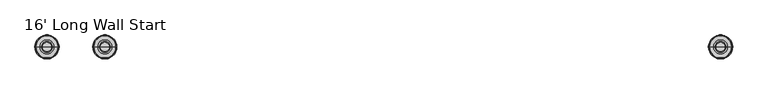
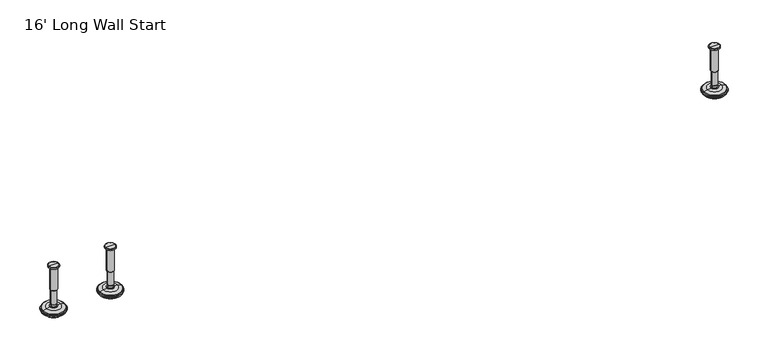
"""IFC4 building model written with IfcOpenShell, lengths in millimetres: furniture geometry, 16' Long Wall Start."""

import ifcopenshell
import ifcopenshell.guid

model = None  # the IFC model being written
_history = None  # IfcOwnerHistory: only IFC2X3 demands one
_inside = {}  # id of a spatial element -> (the spatial element, [elements in it])
_under = {}  # id of a project, library or spatial element -> (it, [spatial elements below it])
_declared = {}  # id of a project -> (the project, [libraries it declares])
_typed = {}  # id of a type object -> (the type object, [elements of that type])
_made_of = {}  # id of a material, layer set ... -> (it, [elements and type objects made of it])


def new_model(schema):
    """Start an empty IFC model of exactly this schema.

    Asked for "IFC4X3", IfcOpenShell would pick the latest addendum, in which some entities
    have other attributes; the version numbers below select the first issue.
    IFC2X3 requires an IfcOwnerHistory on every rooted entity: one is made here for all.
    """
    global model, _history
    if schema == "IFC4X3":
        model = ifcopenshell.file(schema_version=(4, 3, 0, 0))
    else:
        model = ifcopenshell.file(schema=schema)
    _inside.clear()
    _under.clear()
    _declared.clear()
    _typed.clear()
    _made_of.clear()
    _history = None
    if model.schema == "IFC2X3":
        org = make("IfcOrganization", Name="unknown")
        user = make(
            "IfcPersonAndOrganization",
            ThePerson=make("IfcPerson", FamilyName="unknown"),
            TheOrganization=org,
        )
        app = make(
            "IfcApplication",
            ApplicationDeveloper=org,
            Version="unknown",
            ApplicationFullName="unknown",
            ApplicationIdentifier="unknown",
        )
        _history = make(
            "IfcOwnerHistory",
            OwningUser=user,
            OwningApplication=app,
            ChangeAction="ADDED",
            CreationDate=0,
        )
    return model


def make(cls, **values):
    """One entity of the class cls with the attributes given. An attribute that is None is left unset."""
    return model.create_entity(
        cls, **{name: value for name, value in values.items() if value is not None}
    )


def rooted(cls, **values):
    """An entity with a GlobalId (a new one), such as an element, a storey or a relation."""
    return make(cls, GlobalId=ifcopenshell.guid.new(), OwnerHistory=_history, **values)


def si_unit(unit_type, name, prefix=None):
    """IfcSIUnit, for example si_unit("LENGTHUNIT", "METRE", prefix="MILLI")."""
    return make("IfcSIUnit", UnitType=unit_type, Prefix=prefix, Name=name)


def assignment(units):
    """IfcUnitAssignment: the units of a project."""
    return None if units is None else make("IfcUnitAssignment", Units=units)


def point(xyz):
    """IfcCartesianPoint."""
    return None if xyz is None else make("IfcCartesianPoint", Coordinates=xyz)


def direction(xyz):
    """IfcDirection."""
    return None if xyz is None else make("IfcDirection", DirectionRatios=xyz)


def frame(location, z_axis=None, x_axis=None):
    """IfcAxis2Placement3D, a coordinate frame: its origin and axes. An axis left out is left unset."""
    return make(
        "IfcAxis2Placement3D",
        Location=point(location),
        Axis=direction(z_axis),
        RefDirection=direction(x_axis),
    )


def origin():
    """The frame at (0, 0, 0) with its axes left unset."""
    return frame((0.0, 0.0, 0.0))


def place(relative_to, where):
    """IfcLocalPlacement: puts the frame where relative to a parent placement (None: the world)."""
    return make(
        "IfcLocalPlacement", PlacementRelTo=relative_to, RelativePlacement=where
    )


def context(
    kind, dimensions, precision=None, world=None, true_north=None, identifier=None
):
    """IfcGeometricRepresentationContext, for example the 3D "Model" context."""
    return make(
        "IfcGeometricRepresentationContext",
        ContextIdentifier=identifier,
        ContextType=kind,
        CoordinateSpaceDimension=dimensions,
        Precision=precision,
        WorldCoordinateSystem=world,
        TrueNorth=true_north,
    )


def project(units=None, contexts=None):
    """IfcProject with its units and contexts."""
    return rooted(
        "IfcProject",
        Name="project",
        RepresentationContexts=contexts,
        UnitsInContext=assignment(units),
    )


def spatial(cls, under=None, at=None, **own):
    """A site, building, storey or space (cls), placed at a placement, below another one or the project."""
    s = rooted(cls, ObjectPlacement=at, **own)
    if under is not None:
        _under.setdefault(under.id(), (under, []))[1].append(s)
    return s


def polyline(points):
    """IfcPolyline through the points."""
    return make("IfcPolyline", Points=[point(p) for p in points])


def circle_curve(where, radius):
    """IfcCircle in the frame where."""
    return make("IfcCircle", Position=where, Radius=radius)


def shape(context_of_items, identifier, shape_type, items):
    """IfcShapeRepresentation: the items that make up one representation, for example the "Body"."""
    return make(
        "IfcShapeRepresentation",
        ContextOfItems=context_of_items,
        RepresentationIdentifier=identifier,
        RepresentationType=shape_type,
        Items=items,
    )


def source(mapping_origin, context_of_items, identifier, shape_type, items):
    """IfcRepresentationMap: a shape defined once, which mapped items show again and again."""
    return make(
        "IfcRepresentationMap",
        MappingOrigin=mapping_origin,
        MappedRepresentation=shape(context_of_items, identifier, shape_type, items),
    )


def transform(
    local_origin,
    x_axis=None,
    y_axis=None,
    z_axis=None,
    scale=None,
    scale2=None,
    scale3=None,
    uniform=True,
):
    """IfcCartesianTransformationOperator3D, or its non-uniform kind. x_axis, y_axis, z_axis: its Axis1, 2, 3."""
    if uniform:
        return make(
            "IfcCartesianTransformationOperator3D",
            Axis1=direction(x_axis),
            Axis2=direction(y_axis),
            LocalOrigin=point(local_origin),
            Scale=scale,
            Axis3=direction(z_axis),
        )
    return make(
        "IfcCartesianTransformationOperator3DnonUniform",
        Axis1=direction(x_axis),
        Axis2=direction(y_axis),
        LocalOrigin=point(local_origin),
        Scale=scale,
        Axis3=direction(z_axis),
        Scale2=scale2,
        Scale3=scale3,
    )


def mapped(mapping_source, mapping_target):
    """IfcMappedItem: shows the shape of a source again, moved by a transform."""
    return make(
        "IfcMappedItem", MappingSource=mapping_source, MappingTarget=mapping_target
    )


def made_of(thing, what):
    """Note that an element or type object is made of a material, layer set ...; save() writes the relation."""
    if what is not None:
        _made_of.setdefault(what.id(), (what, []))[1].append(thing)
    return thing


def element(
    cls,
    number,
    at=None,
    inside=None,
    cuts=None,
    type_object=None,
    material=None,
    context=None,
    identifier="Body",
    shape_type=None,
    held_by="IfcProductDefinitionShape",
    body=None,
    shapes=None,
    **own,
):
    """One element of the class cls, such as IfcWall. Its Tag is "e" and its number.

    at: its placement. inside: the storey or other place that contains it. cuts: it is an
    opening in that element (IfcRelVoidsElement). A single representation is given by context,
    identifier, shape_type and body (its items); several are given by shapes. held_by: the class
    of the entity that holds the representations. save() writes the other relations.
    """
    e = rooted(cls, Tag="e%d" % number, ObjectPlacement=at, **own)
    if body is not None:
        shapes = [shape(context, identifier, shape_type, body)]
    if shapes is not None:
        e.Representation = make(held_by, Representations=shapes)
    if inside is not None:
        _inside.setdefault(inside.id(), (inside, []))[1].append(e)
    if cuts is not None:
        rooted(
            "IfcRelVoidsElement", RelatingBuildingElement=cuts, RelatedOpeningElement=e
        )
    if type_object is not None:
        _typed.setdefault(type_object.id(), (type_object, []))[1].append(e)
    return made_of(e, material)


def aggregate(whole, parts):
    """IfcRelAggregates: a whole, such as a stair, and the parts it consists of."""
    return rooted("IfcRelAggregates", RelatingObject=whole, RelatedObjects=parts)


def save(model, path):
    """Write the relations noted so far, then the file.

    IfcRelAggregates (storeys below a building ...), IfcRelContainedInSpatialStructure (elements
    in a storey), IfcRelDefinesByType, IfcRelAssociatesMaterial and IfcRelDeclares: one each for
    every whole, place, type object, material and project.
    """
    for whole, parts in _under.values():
        aggregate(whole, parts)
    for where, things in _inside.values():
        rooted(
            "IfcRelContainedInSpatialStructure",
            RelatedElements=things,
            RelatingStructure=where,
        )
    for kind, things in _typed.values():
        rooted("IfcRelDefinesByType", RelatedObjects=things, RelatingType=kind)
    for what, things in _made_of.values():
        rooted("IfcRelAssociatesMaterial", RelatedObjects=things, RelatingMaterial=what)
    for by, libraries in _declared.values():
        rooted("IfcRelDeclares", RelatingContext=by, RelatedDefinitions=libraries)
    model.write(path)


def plane_surface(at):
    """IfcPlane: the flat surface through the origin of the frame at, square to its z axis."""
    return make("IfcPlane", Position=at)


def cylinder_surface(at, radius):
    """IfcCylindricalSurface: all points at the distance radius from the z axis of the frame at."""
    return make("IfcCylindricalSurface", Position=at, Radius=radius)


def revolved_surface(curve, axis_point, axis_direction):
    """IfcSurfaceOfRevolution: the curve turned about the line through axis_point along axis_direction."""
    return make(
        "IfcSurfaceOfRevolution",
        SweptCurve=make("IfcArbitraryOpenProfileDef", ProfileType="CURVE", Curve=curve),
        AxisPosition=make("IfcAxis1Placement", Location=point(axis_point), Axis=direction(axis_direction)),
    )


def advanced_brep(points, edges, surfaces, faces):
    """IfcAdvancedBrep: a solid bounded by faces that lie on surfaces and meet in shared edges.

    An edge is (start, end): straight between two places in points (the first is 0);
    or (start, end, curve); or (start, end, curve, False) where it runs against its curve.
    A face is (place in surfaces, loops), or (place, loops, False) where it looks against
    its surface's normal. A loop lists edges by number (the first is 1), with a minus sign
    where the edge is run from its end to its start. The first loop is the outer one.
    """
    corners = [point(p) for p in points]
    vertices = [make("IfcVertexPoint", VertexGeometry=c) for c in corners]
    made = []
    for start, end, *more in edges:
        made.append(
            make(
                "IfcEdgeCurve",
                EdgeStart=vertices[start],
                EdgeEnd=vertices[end],
                EdgeGeometry=more[0] if more else make("IfcPolyline", Points=[corners[start], corners[end]]),
                SameSense=more[1] if len(more) > 1 else True,
            )
        )
    hull = []
    for where, loops, *sense in faces:
        bounds = []
        for j, loop in enumerate(loops):
            ring = [make("IfcOrientedEdge", EdgeElement=made[abs(k) - 1], Orientation=k > 0) for k in loop]
            bounds.append(
                make(
                    "IfcFaceOuterBound" if j == 0 else "IfcFaceBound",
                    Bound=make("IfcEdgeLoop", EdgeList=ring),
                    Orientation=True,
                )
            )
        hull.append(make("IfcAdvancedFace", Bounds=bounds, FaceSurface=surfaces[where], SameSense=sense[0] if sense else True))
    return make("IfcAdvancedBrep", Outer=make("IfcClosedShell", CfsFaces=hull))


def furniture_16_long_wall_start_88624ca3(model_context):
    return source(origin(), model_context, "Body", "AdvancedBrep", [
        advanced_brep(
        [(1161.8635677, 0.0, 101.6), (1170.8414891, 0.0, 101.6), (1152.8856463, 0.0, 101.6), (1147.7593278, 0.0, 0.0206943), (1175.9678076, 0.0, 0.0206943), (1161.8635677, 0.0, 0.0206943), (1142.881296, 0.0, 1.4194474), (1180.8458394, 0.0, 1.4194474), (1139.119381, 0.0, 4.7394056), (1184.6077544, 0.0, 4.7394056), (1138.0019314, 0.0, 7.5051905), (1185.725204, 0.0, 7.5051905), (1138.0019314, 0.0, 8.3065967), (1185.725204, 0.0, 8.3065967), (1138.8443346, 0.0, 9.8469348), (1184.8828008, 0.0, 9.8469348), (1139.9444772, 0.0, 10.8375077), (1183.7826582, 0.0, 10.8375077), (1147.2481724, 0.0, 12.7338946), (1176.478963, 0.0, 12.7338946), (1154.6663238, 0.0, 13.3828987), (1169.0608116, 0.0, 13.3828987), (1154.6663238, 0.0, 14.1772758), (1169.0608116, 0.0, 14.1772758), (1157.0631166, 0.0, 14.1772758), (1166.6640188, 0.0, 14.1772758), (1157.0631166, 0.0, 18.8098403), (1166.6640188, 0.0, 18.8098403), (1156.047264, 0.0, 19.8256929), (1167.6798714, 0.0, 19.8256929), (1156.047264, 0.0, 48.3056352), (1167.6798714, 0.0, 48.3056352), (1154.8237361, 0.0, 49.9293116), (1168.9033993, 0.0, 49.9293116), (1154.8237361, 0.0, 97.327223), (1168.9033993, 0.0, 97.327223), (1153.9426317, 0.0, 97.6479188), (1169.7845037, 0.0, 97.6479188), (1152.8936428, 0.0, 97.6479188), (1170.8334926, 0.0, 97.6479188), (1151.2286129, 0.0, 98.6092242), (1172.4985225, 0.0, 98.6092242), (1151.2286129, 0.0, 100.6043539), (1172.4985225, 0.0, 100.6043539)],
        [
            (0, 1),
            (1, 2, circle_curve(frame((1161.8635677, 0.0, 101.6), z_axis=(0.0, 0.0, 1.0), x_axis=(1.0, 0.0, 0.0)), 8.9779214)),
            (2, 0),
            (2, 1, circle_curve(frame((1161.8635677, 0.0, 101.6), z_axis=(0.0, 0.0, 1.0), x_axis=(1.0, 0.0, 0.0)), 8.9779214)),
            (3, 4, circle_curve(frame((1161.8635677, 0.0, 0.0206943), z_axis=(0.0, 0.0, -1.0), x_axis=(1.0, 0.0, 0.0)), 14.1042399)),
            (4, 5),
            (5, 3),
            (4, 3, circle_curve(frame((1161.8635677, 0.0, 0.0206943), z_axis=(0.0, 0.0, -1.0), x_axis=(1.0, 0.0, 0.0)), 14.1042399)),
            (6, 7, circle_curve(frame((1161.8635677, 0.0, 1.4194474), z_axis=(0.0, 0.0, -1.0), x_axis=(1.0, 0.0, 0.0)), 18.9822717)),
            (7, 4),
            (3, 6),
            (7, 6, circle_curve(frame((1161.8635677, 0.0, 1.4194474), z_axis=(0.0, 0.0, -1.0), x_axis=(1.0, 0.0, 0.0)), 18.9822717)),
            (8, 9, circle_curve(frame((1161.8635677, 0.0, 4.7394056), z_axis=(0.0, 0.0, -1.0), x_axis=(1.0, 0.0, 0.0)), 22.7441867)),
            (9, 7),
            (6, 8),
            (9, 8, circle_curve(frame((1161.8635677, 0.0, 4.7394056), z_axis=(0.0, 0.0, -1.0), x_axis=(1.0, 0.0, 0.0)), 22.7441867)),
            (10, 11, circle_curve(frame((1161.8635677, 0.0, 7.5051905), z_axis=(0.0, 0.0, -1.0), x_axis=(1.0, 0.0, 0.0)), 23.8616363)),
            (11, 9),
            (8, 10),
            (11, 10, circle_curve(frame((1161.8635677, 0.0, 7.5051905), z_axis=(0.0, 0.0, -1.0), x_axis=(1.0, 0.0, 0.0)), 23.8616363)),
            (12, 13, circle_curve(frame((1161.8635677, 0.0, 8.3065967), z_axis=(0.0, 0.0, -1.0), x_axis=(1.0, 0.0, 0.0)), 23.8616363)),
            (13, 11),
            (10, 12),
            (13, 12, circle_curve(frame((1161.8635677, 0.0, 8.3065967), z_axis=(0.0, 0.0, -1.0), x_axis=(1.0, 0.0, 0.0)), 23.8616363)),
            (14, 15, circle_curve(frame((1161.8635677, 0.0, 9.8469348), z_axis=(0.0, 0.0, -1.0), x_axis=(1.0, 0.0, 0.0)), 23.0192331)),
            (15, 13),
            (12, 14),
            (15, 14, circle_curve(frame((1161.8635677, 0.0, 9.8469348), z_axis=(0.0, 0.0, -1.0), x_axis=(1.0, 0.0, 0.0)), 23.0192331)),
            (16, 17, circle_curve(frame((1161.8635677, 0.0, 10.8375077), z_axis=(0.0, 0.0, -1.0), x_axis=(1.0, 0.0, 0.0)), 21.9190905)),
            (17, 15),
            (14, 16),
            (17, 16, circle_curve(frame((1161.8635677, 0.0, 10.8375077), z_axis=(0.0, 0.0, -1.0), x_axis=(1.0, 0.0, 0.0)), 21.9190905)),
            (18, 19, circle_curve(frame((1161.8635677, 0.0, 12.7338946), z_axis=(0.0, 0.0, -1.0), x_axis=(1.0, 0.0, 0.0)), 14.6153953)),
            (19, 17),
            (16, 18),
            (19, 18, circle_curve(frame((1161.8635677, 0.0, 12.7338946), z_axis=(0.0, 0.0, -1.0), x_axis=(1.0, 0.0, 0.0)), 14.6153953)),
            (20, 21, circle_curve(frame((1161.8635677, 0.0, 13.3828987), z_axis=(0.0, 0.0, -1.0), x_axis=(1.0, 0.0, 0.0)), 7.1972439)),
            (21, 19),
            (18, 20),
            (21, 20, circle_curve(frame((1161.8635677, 0.0, 13.3828987), z_axis=(0.0, 0.0, -1.0), x_axis=(1.0, 0.0, 0.0)), 7.1972439)),
            (22, 23, circle_curve(frame((1161.8635677, 0.0, 14.1772758), z_axis=(0.0, 0.0, -1.0), x_axis=(1.0, 0.0, 0.0)), 7.1972439)),
            (23, 21),
            (20, 22),
            (23, 22, circle_curve(frame((1161.8635677, 0.0, 14.1772758), z_axis=(0.0, 0.0, -1.0), x_axis=(1.0, 0.0, 0.0)), 7.1972439)),
            (24, 25, circle_curve(frame((1161.8635677, 0.0, 14.1772758), z_axis=(0.0, 0.0, -1.0), x_axis=(1.0, 0.0, 0.0)), 4.8004511)),
            (25, 23),
            (22, 24),
            (25, 24, circle_curve(frame((1161.8635677, 0.0, 14.1772758), z_axis=(0.0, 0.0, -1.0), x_axis=(1.0, 0.0, 0.0)), 4.8004511)),
            (26, 27, circle_curve(frame((1161.8635677, 0.0, 18.8098403), z_axis=(0.0, 0.0, -1.0), x_axis=(1.0, 0.0, 0.0)), 4.8004511)),
            (27, 25),
            (24, 26),
            (27, 26, circle_curve(frame((1161.8635677, 0.0, 18.8098403), z_axis=(0.0, 0.0, -1.0), x_axis=(1.0, 0.0, 0.0)), 4.8004511)),
            (28, 29, circle_curve(frame((1161.8635677, 0.0, 19.8256929), z_axis=(0.0, 0.0, -1.0), x_axis=(1.0, 0.0, 0.0)), 5.8163037)),
            (29, 27),
            (26, 28),
            (29, 28, circle_curve(frame((1161.8635677, 0.0, 19.8256929), z_axis=(0.0, 0.0, -1.0), x_axis=(1.0, 0.0, 0.0)), 5.8163037)),
            (30, 31, circle_curve(frame((1161.8635677, 0.0, 48.3056352), z_axis=(0.0, 0.0, -1.0), x_axis=(1.0, 0.0, 0.0)), 5.8163037)),
            (31, 29),
            (28, 30),
            (31, 30, circle_curve(frame((1161.8635677, 0.0, 48.3056352), z_axis=(0.0, 0.0, -1.0), x_axis=(1.0, 0.0, 0.0)), 5.8163037)),
            (32, 33, circle_curve(frame((1161.8635677, 0.0, 49.9293116), z_axis=(0.0, 0.0, -1.0), x_axis=(1.0, 0.0, 0.0)), 7.0398316)),
            (33, 31),
            (30, 32),
            (33, 32, circle_curve(frame((1161.8635677, 0.0, 49.9293116), z_axis=(0.0, 0.0, -1.0), x_axis=(1.0, 0.0, 0.0)), 7.0398316)),
            (34, 35, circle_curve(frame((1161.8635677, 0.0, 97.327223), z_axis=(0.0, 0.0, -1.0), x_axis=(1.0, 0.0, 0.0)), 7.0398316)),
            (35, 33),
            (32, 34),
            (35, 34, circle_curve(frame((1161.8635677, 0.0, 97.327223), z_axis=(0.0, 0.0, -1.0), x_axis=(1.0, 0.0, 0.0)), 7.0398316)),
            (36, 37, circle_curve(frame((1161.8635677, 0.0, 97.6479188), z_axis=(0.0, 0.0, -1.0), x_axis=(1.0, 0.0, 0.0)), 7.920936)),
            (37, 35),
            (34, 36),
            (37, 36, circle_curve(frame((1161.8635677, 0.0, 97.6479188), z_axis=(0.0, 0.0, -1.0), x_axis=(1.0, 0.0, 0.0)), 7.920936)),
            (38, 39, circle_curve(frame((1161.8635677, 0.0, 97.6479188), z_axis=(0.0, 0.0, -1.0), x_axis=(1.0, 0.0, 0.0)), 8.9699249)),
            (39, 37),
            (36, 38),
            (39, 38, circle_curve(frame((1161.8635677, 0.0, 97.6479188), z_axis=(0.0, 0.0, -1.0), x_axis=(1.0, 0.0, 0.0)), 8.9699249)),
            (40, 41, circle_curve(frame((1161.8635677, 0.0, 98.6092242), z_axis=(0.0, 0.0, -1.0), x_axis=(1.0, 0.0, 0.0)), 10.6349548)),
            (41, 39),
            (38, 40),
            (41, 40, circle_curve(frame((1161.8635677, 0.0, 98.6092242), z_axis=(0.0, 0.0, -1.0), x_axis=(1.0, 0.0, 0.0)), 10.6349548)),
            (42, 43, circle_curve(frame((1161.8635677, 0.0, 100.6043539), z_axis=(0.0, 0.0, -1.0), x_axis=(1.0, 0.0, 0.0)), 10.6349548)),
            (43, 41),
            (40, 42),
            (43, 42, circle_curve(frame((1161.8635677, 0.0, 100.6043539), z_axis=(0.0, 0.0, -1.0), x_axis=(1.0, 0.0, 0.0)), 10.6349548)),
            (1, 43),
            (42, 2),
        ],
        [
            plane_surface(frame((1161.8635677, 0.0, 101.6), z_axis=(0.0, 0.0, 1.0), x_axis=(1.0, 0.0, 0.0))),
            plane_surface(frame((1161.8635677, 0.0, 0.0206943), z_axis=(0.0, 0.0, -1.0), x_axis=(1.0, 0.0, 0.0))),
            revolved_surface(polyline([(1175.9678076, 0.0, 0.0206943), (1180.8458394, 0.0, 1.4194474)]), (1161.8635677, 0.0, 101.6), (0.0, 0.0, 1.0)),
            revolved_surface(polyline([(1180.8458394, 0.0, 1.4194474), (1184.6077544, 0.0, 4.7394056)]), (1161.8635677, 0.0, 101.6), (0.0, 0.0, 1.0)),
            revolved_surface(polyline([(1184.6077544, 0.0, 4.7394056), (1185.725204, 0.0, 7.5051905)]), (1161.8635677, 0.0, 101.6), (0.0, 0.0, 1.0)),
            cylinder_surface(frame((1161.8635677, 0.0, 101.6), z_axis=(0.0, 0.0, 1.0), x_axis=(1.0, 0.0, 0.0)), 23.8616363),
            revolved_surface(polyline([(1185.725204, 0.0, 8.3065967), (1184.8828008, 0.0, 9.8469348)]), (1161.8635677, 0.0, 101.6), (0.0, 0.0, 1.0)),
            revolved_surface(polyline([(1184.8828008, 0.0, 9.8469348), (1183.7826582, 0.0, 10.8375077)]), (1161.8635677, 0.0, 101.6), (0.0, 0.0, 1.0)),
            revolved_surface(polyline([(1183.7826582, 0.0, 10.8375077), (1176.478963, 0.0, 12.7338946)]), (1161.8635677, 0.0, 101.6), (0.0, 0.0, 1.0)),
            revolved_surface(polyline([(1176.478963, 0.0, 12.7338946), (1169.0608116, 0.0, 13.3828987)]), (1161.8635677, 0.0, 101.6), (0.0, 0.0, 1.0)),
            cylinder_surface(frame((1161.8635677, 0.0, 101.6), z_axis=(0.0, 0.0, 1.0), x_axis=(1.0, 0.0, 0.0)), 7.1972439),
            plane_surface(frame((1161.8635677, 0.0, 14.1772758), z_axis=(0.0, 0.0, 1.0), x_axis=(1.0, 0.0, 0.0))),
            cylinder_surface(frame((1161.8635677, 0.0, 101.6), z_axis=(0.0, 0.0, 1.0), x_axis=(1.0, 0.0, 0.0)), 4.8004511),
            revolved_surface(polyline([(1166.6640188, 0.0, 18.8098403), (1167.6798714, 0.0, 19.8256929)]), (1161.8635677, 0.0, 101.6), (0.0, 0.0, 1.0)),
            cylinder_surface(frame((1161.8635677, 0.0, 101.6), z_axis=(0.0, 0.0, 1.0), x_axis=(1.0, 0.0, 0.0)), 5.8163037),
            revolved_surface(polyline([(1167.6798714, 0.0, 48.3056352), (1168.9033993, 0.0, 49.9293116)]), (1161.8635677, 0.0, 101.6), (0.0, 0.0, 1.0)),
            cylinder_surface(frame((1161.8635677, 0.0, 101.6), z_axis=(0.0, 0.0, 1.0), x_axis=(1.0, 0.0, 0.0)), 7.0398316),
            revolved_surface(polyline([(1168.9033993, 0.0, 97.327223), (1169.7845037, 0.0, 97.6479188)]), (1161.8635677, 0.0, 101.6), (0.0, 0.0, 1.0)),
            plane_surface(frame((1161.8635677, 0.0, 97.6479188), z_axis=(0.0, 0.0, -1.0), x_axis=(1.0, 0.0, 0.0))),
            revolved_surface(polyline([(1170.8334926, 0.0, 97.6479188), (1172.4985225, 0.0, 98.6092242)]), (1161.8635677, 0.0, 101.6), (0.0, 0.0, 1.0)),
            cylinder_surface(frame((1161.8635677, 0.0, 101.6), z_axis=(0.0, 0.0, 1.0), x_axis=(1.0, 0.0, 0.0)), 10.6349548),
            revolved_surface(polyline([(1172.4985225, 0.0, 100.6043539), (1170.8414891, 0.0, 101.6)]), (1161.8635677, 0.0, 101.6), (0.0, 0.0, 1.0)),
        ],
        [
            (0, [[1, 2, 3]]),
            (0, [[-3, 4, -1]]),
            (1, [[5, 6, 7]]),
            (1, [[8, -7, -6]]),
            (2, [[9, 10, -5, 11]]),
            (2, [[12, -11, -8, -10]]),
            (3, [[13, 14, -9, 15]]),
            (3, [[16, -15, -12, -14]]),
            (4, [[17, 18, -13, 19]]),
            (4, [[20, -19, -16, -18]]),
            (5, [[21, 22, -17, 23]]),
            (5, [[24, -23, -20, -22]]),
            (6, [[25, 26, -21, 27]]),
            (6, [[28, -27, -24, -26]]),
            (7, [[29, 30, -25, 31]]),
            (7, [[32, -31, -28, -30]]),
            (8, [[33, 34, -29, 35]]),
            (8, [[36, -35, -32, -34]]),
            (9, [[37, 38, -33, 39]]),
            (9, [[40, -39, -36, -38]]),
            (10, [[41, 42, -37, 43]]),
            (10, [[44, -43, -40, -42]]),
            (11, [[45, 46, -41, 47]]),
            (11, [[48, -47, -44, -46]]),
            (12, [[49, 50, -45, 51]]),
            (12, [[52, -51, -48, -50]]),
            (13, [[53, 54, -49, 55]]),
            (13, [[56, -55, -52, -54]]),
            (14, [[57, 58, -53, 59]]),
            (14, [[60, -59, -56, -58]]),
            (15, [[61, 62, -57, 63]]),
            (15, [[64, -63, -60, -62]]),
            (16, [[65, 66, -61, 67]]),
            (16, [[68, -67, -64, -66]]),
            (17, [[69, 70, -65, 71]]),
            (17, [[72, -71, -68, -70]]),
            (18, [[73, 74, -69, 75]]),
            (18, [[76, -75, -72, -74]]),
            (19, [[77, 78, -73, 79]]),
            (19, [[80, -79, -76, -78]]),
            (20, [[81, 82, -77, 83]]),
            (20, [[84, -83, -80, -82]]),
            (21, [[-2, 85, -81, 86]]),
            (21, [[-4, -86, -84, -85]]),
        ],
    ),
        advanced_brep(
        [(1276.5364323, 0.0, 101.6), (1285.5143537, 0.0, 101.6), (1267.5585109, 0.0, 101.6), (1290.6406722, 0.0, 0.0206943), (1276.5364323, 0.0, 0.0206943), (1262.4321924, 0.0, 0.0206943), (1295.518704, 0.0, 1.4194474), (1257.5541606, 0.0, 1.4194474), (1299.280619, 0.0, 4.7394056), (1253.7922456, 0.0, 4.7394056), (1300.3980686, 0.0, 7.5051905), (1252.674796, 0.0, 7.5051905), (1300.3980686, 0.0, 8.3065967), (1252.674796, 0.0, 8.3065967), (1299.5556654, 0.0, 9.8469348), (1253.5171992, 0.0, 9.8469348), (1298.4555228, 0.0, 10.8375077), (1254.6173418, 0.0, 10.8375077), (1291.1518276, 0.0, 12.7338946), (1261.921037, 0.0, 12.7338946), (1283.7336762, 0.0, 13.3828987), (1269.3391884, 0.0, 13.3828987), (1283.7336762, 0.0, 14.1772758), (1269.3391884, 0.0, 14.1772758), (1281.3368834, 0.0, 14.1772758), (1271.7359812, 0.0, 14.1772758), (1281.3368834, 0.0, 18.8098403), (1271.7359812, 0.0, 18.8098403), (1282.352736, 0.0, 19.8256929), (1270.7201286, 0.0, 19.8256929), (1282.352736, 0.0, 48.3056352), (1270.7201286, 0.0, 48.3056352), (1283.5762639, 0.0, 49.9293116), (1269.4966007, 0.0, 49.9293116), (1283.5762639, 0.0, 97.327223), (1269.4966007, 0.0, 97.327223), (1284.4573683, 0.0, 97.6479188), (1268.6154963, 0.0, 97.6479188), (1285.5063572, 0.0, 97.6479188), (1267.5665074, 0.0, 97.6479188), (1287.1713871, 0.0, 98.6092242), (1265.9014775, 0.0, 98.6092242), (1287.1713871, 0.0, 100.6043539), (1265.9014775, 0.0, 100.6043539)],
        [
            (0, 1),
            (1, 2, circle_curve(frame((1276.5364323, 0.0, 101.6), z_axis=(0.0, 0.0, 1.0), x_axis=(-1.0, 0.0, 0.0)), 8.9779214)),
            (2, 0),
            (2, 1, circle_curve(frame((1276.5364323, 0.0, 101.6), z_axis=(0.0, 0.0, 1.0), x_axis=(-1.0, 0.0, 0.0)), 8.9779214)),
            (3, 4),
            (4, 5),
            (5, 3, circle_curve(frame((1276.5364323, 0.0, 0.0206943), z_axis=(0.0, 0.0, -1.0), x_axis=(-1.0, 0.0, 0.0)), 14.1042399)),
            (3, 5, circle_curve(frame((1276.5364323, 0.0, 0.0206943), z_axis=(0.0, 0.0, -1.0), x_axis=(-1.0, 0.0, 0.0)), 14.1042399)),
            (6, 3),
            (5, 7),
            (7, 6, circle_curve(frame((1276.5364323, 0.0, 1.4194474), z_axis=(0.0, 0.0, -1.0), x_axis=(-1.0, 0.0, 0.0)), 18.9822717)),
            (6, 7, circle_curve(frame((1276.5364323, 0.0, 1.4194474), z_axis=(0.0, 0.0, -1.0), x_axis=(-1.0, 0.0, 0.0)), 18.9822717)),
            (8, 6),
            (7, 9),
            (9, 8, circle_curve(frame((1276.5364323, 0.0, 4.7394056), z_axis=(0.0, 0.0, -1.0), x_axis=(-1.0, 0.0, 0.0)), 22.7441867)),
            (8, 9, circle_curve(frame((1276.5364323, 0.0, 4.7394056), z_axis=(0.0, 0.0, -1.0), x_axis=(-1.0, 0.0, 0.0)), 22.7441867)),
            (10, 8),
            (9, 11),
            (11, 10, circle_curve(frame((1276.5364323, 0.0, 7.5051905), z_axis=(0.0, 0.0, -1.0), x_axis=(-1.0, 0.0, 0.0)), 23.8616363)),
            (10, 11, circle_curve(frame((1276.5364323, 0.0, 7.5051905), z_axis=(0.0, 0.0, -1.0), x_axis=(-1.0, 0.0, 0.0)), 23.8616363)),
            (12, 10),
            (11, 13),
            (13, 12, circle_curve(frame((1276.5364323, 0.0, 8.3065967), z_axis=(0.0, 0.0, -1.0), x_axis=(-1.0, 0.0, 0.0)), 23.8616363)),
            (12, 13, circle_curve(frame((1276.5364323, 0.0, 8.3065967), z_axis=(0.0, 0.0, -1.0), x_axis=(-1.0, 0.0, 0.0)), 23.8616363)),
            (14, 12),
            (13, 15),
            (15, 14, circle_curve(frame((1276.5364323, 0.0, 9.8469348), z_axis=(0.0, 0.0, -1.0), x_axis=(-1.0, 0.0, 0.0)), 23.0192331)),
            (14, 15, circle_curve(frame((1276.5364323, 0.0, 9.8469348), z_axis=(0.0, 0.0, -1.0), x_axis=(-1.0, 0.0, 0.0)), 23.0192331)),
            (16, 14),
            (15, 17),
            (17, 16, circle_curve(frame((1276.5364323, 0.0, 10.8375077), z_axis=(0.0, 0.0, -1.0), x_axis=(-1.0, 0.0, 0.0)), 21.9190905)),
            (16, 17, circle_curve(frame((1276.5364323, 0.0, 10.8375077), z_axis=(0.0, 0.0, -1.0), x_axis=(-1.0, 0.0, 0.0)), 21.9190905)),
            (18, 16),
            (17, 19),
            (19, 18, circle_curve(frame((1276.5364323, 0.0, 12.7338946), z_axis=(0.0, 0.0, -1.0), x_axis=(-1.0, 0.0, 0.0)), 14.6153953)),
            (18, 19, circle_curve(frame((1276.5364323, 0.0, 12.7338946), z_axis=(0.0, 0.0, -1.0), x_axis=(-1.0, 0.0, 0.0)), 14.6153953)),
            (20, 18),
            (19, 21),
            (21, 20, circle_curve(frame((1276.5364323, 0.0, 13.3828987), z_axis=(0.0, 0.0, -1.0), x_axis=(-1.0, 0.0, 0.0)), 7.1972439)),
            (20, 21, circle_curve(frame((1276.5364323, 0.0, 13.3828987), z_axis=(0.0, 0.0, -1.0), x_axis=(-1.0, 0.0, 0.0)), 7.1972439)),
            (22, 20),
            (21, 23),
            (23, 22, circle_curve(frame((1276.5364323, 0.0, 14.1772758), z_axis=(0.0, 0.0, -1.0), x_axis=(-1.0, 0.0, 0.0)), 7.1972439)),
            (22, 23, circle_curve(frame((1276.5364323, 0.0, 14.1772758), z_axis=(0.0, 0.0, -1.0), x_axis=(-1.0, 0.0, 0.0)), 7.1972439)),
            (24, 22),
            (23, 25),
            (25, 24, circle_curve(frame((1276.5364323, 0.0, 14.1772758), z_axis=(0.0, 0.0, -1.0), x_axis=(-1.0, 0.0, 0.0)), 4.8004511)),
            (24, 25, circle_curve(frame((1276.5364323, 0.0, 14.1772758), z_axis=(0.0, 0.0, -1.0), x_axis=(-1.0, 0.0, 0.0)), 4.8004511)),
            (26, 24),
            (25, 27),
            (27, 26, circle_curve(frame((1276.5364323, 0.0, 18.8098403), z_axis=(0.0, 0.0, -1.0), x_axis=(-1.0, 0.0, 0.0)), 4.8004511)),
            (26, 27, circle_curve(frame((1276.5364323, 0.0, 18.8098403), z_axis=(0.0, 0.0, -1.0), x_axis=(-1.0, 0.0, 0.0)), 4.8004511)),
            (28, 26),
            (27, 29),
            (29, 28, circle_curve(frame((1276.5364323, 0.0, 19.8256929), z_axis=(0.0, 0.0, -1.0), x_axis=(-1.0, 0.0, 0.0)), 5.8163037)),
            (28, 29, circle_curve(frame((1276.5364323, 0.0, 19.8256929), z_axis=(0.0, 0.0, -1.0), x_axis=(-1.0, 0.0, 0.0)), 5.8163037)),
            (30, 28),
            (29, 31),
            (31, 30, circle_curve(frame((1276.5364323, 0.0, 48.3056352), z_axis=(0.0, 0.0, -1.0), x_axis=(-1.0, 0.0, 0.0)), 5.8163037)),
            (30, 31, circle_curve(frame((1276.5364323, 0.0, 48.3056352), z_axis=(0.0, 0.0, -1.0), x_axis=(-1.0, 0.0, 0.0)), 5.8163037)),
            (32, 30),
            (31, 33),
            (33, 32, circle_curve(frame((1276.5364323, 0.0, 49.9293116), z_axis=(0.0, 0.0, -1.0), x_axis=(-1.0, 0.0, 0.0)), 7.0398316)),
            (32, 33, circle_curve(frame((1276.5364323, 0.0, 49.9293116), z_axis=(0.0, 0.0, -1.0), x_axis=(-1.0, 0.0, 0.0)), 7.0398316)),
            (34, 32),
            (33, 35),
            (35, 34, circle_curve(frame((1276.5364323, 0.0, 97.327223), z_axis=(0.0, 0.0, -1.0), x_axis=(-1.0, 0.0, 0.0)), 7.0398316)),
            (34, 35, circle_curve(frame((1276.5364323, 0.0, 97.327223), z_axis=(0.0, 0.0, -1.0), x_axis=(-1.0, 0.0, 0.0)), 7.0398316)),
            (36, 34),
            (35, 37),
            (37, 36, circle_curve(frame((1276.5364323, 0.0, 97.6479188), z_axis=(0.0, 0.0, -1.0), x_axis=(-1.0, 0.0, 0.0)), 7.920936)),
            (36, 37, circle_curve(frame((1276.5364323, 0.0, 97.6479188), z_axis=(0.0, 0.0, -1.0), x_axis=(-1.0, 0.0, 0.0)), 7.920936)),
            (38, 36),
            (37, 39),
            (39, 38, circle_curve(frame((1276.5364323, 0.0, 97.6479188), z_axis=(0.0, 0.0, -1.0), x_axis=(-1.0, 0.0, 0.0)), 8.9699249)),
            (38, 39, circle_curve(frame((1276.5364323, 0.0, 97.6479188), z_axis=(0.0, 0.0, -1.0), x_axis=(-1.0, 0.0, 0.0)), 8.9699249)),
            (40, 38),
            (39, 41),
            (41, 40, circle_curve(frame((1276.5364323, 0.0, 98.6092242), z_axis=(0.0, 0.0, -1.0), x_axis=(-1.0, 0.0, 0.0)), 10.6349548)),
            (40, 41, circle_curve(frame((1276.5364323, 0.0, 98.6092242), z_axis=(0.0, 0.0, -1.0), x_axis=(-1.0, 0.0, 0.0)), 10.6349548)),
            (42, 40),
            (41, 43),
            (43, 42, circle_curve(frame((1276.5364323, 0.0, 100.6043539), z_axis=(0.0, 0.0, -1.0), x_axis=(-1.0, 0.0, 0.0)), 10.6349548)),
            (42, 43, circle_curve(frame((1276.5364323, 0.0, 100.6043539), z_axis=(0.0, 0.0, -1.0), x_axis=(-1.0, 0.0, 0.0)), 10.6349548)),
            (1, 42),
            (43, 2),
        ],
        [
            plane_surface(frame((1276.5364323, 0.0, 101.6), z_axis=(0.0, 0.0, 1.0), x_axis=(-1.0, 0.0, 0.0))),
            plane_surface(frame((1276.5364323, 0.0, 0.0206943), z_axis=(0.0, 0.0, -1.0), x_axis=(-1.0, 0.0, 0.0))),
            revolved_surface(polyline([(1262.4321924, 0.0, 0.0206943), (1257.5541606, 0.0, 1.4194474)]), (1276.5364323, 0.0, 101.6), (0.0, 0.0, 1.0)),
            revolved_surface(polyline([(1257.5541606, 0.0, 1.4194474), (1253.7922456, 0.0, 4.7394056)]), (1276.5364323, 0.0, 101.6), (0.0, 0.0, 1.0)),
            revolved_surface(polyline([(1253.7922456, 0.0, 4.7394056), (1252.674796, 0.0, 7.5051905)]), (1276.5364323, 0.0, 101.6), (0.0, 0.0, 1.0)),
            cylinder_surface(frame((1276.5364323, 0.0, 101.6), z_axis=(0.0, 0.0, 1.0), x_axis=(-1.0, 0.0, 0.0)), 23.8616363),
            revolved_surface(polyline([(1252.674796, 0.0, 8.3065967), (1253.5171992, 0.0, 9.8469348)]), (1276.5364323, 0.0, 101.6), (0.0, 0.0, 1.0)),
            revolved_surface(polyline([(1253.5171992, 0.0, 9.8469348), (1254.6173418, 0.0, 10.8375077)]), (1276.5364323, 0.0, 101.6), (0.0, 0.0, 1.0)),
            revolved_surface(polyline([(1254.6173418, 0.0, 10.8375077), (1261.921037, 0.0, 12.7338946)]), (1276.5364323, 0.0, 101.6), (0.0, 0.0, 1.0)),
            revolved_surface(polyline([(1261.921037, 0.0, 12.7338946), (1269.3391884, 0.0, 13.3828987)]), (1276.5364323, 0.0, 101.6), (0.0, 0.0, 1.0)),
            cylinder_surface(frame((1276.5364323, 0.0, 101.6), z_axis=(0.0, 0.0, 1.0), x_axis=(-1.0, 0.0, 0.0)), 7.1972439),
            plane_surface(frame((1276.5364323, 0.0, 14.1772758), z_axis=(0.0, 0.0, 1.0), x_axis=(-1.0, 0.0, 0.0))),
            cylinder_surface(frame((1276.5364323, 0.0, 101.6), z_axis=(0.0, 0.0, 1.0), x_axis=(-1.0, 0.0, 0.0)), 4.8004511),
            revolved_surface(polyline([(1271.7359812, 0.0, 18.8098403), (1270.7201286, 0.0, 19.8256929)]), (1276.5364323, 0.0, 101.6), (0.0, 0.0, 1.0)),
            cylinder_surface(frame((1276.5364323, 0.0, 101.6), z_axis=(0.0, 0.0, 1.0), x_axis=(-1.0, 0.0, 0.0)), 5.8163037),
            revolved_surface(polyline([(1270.7201286, 0.0, 48.3056352), (1269.4966007, 0.0, 49.9293116)]), (1276.5364323, 0.0, 101.6), (0.0, 0.0, 1.0)),
            cylinder_surface(frame((1276.5364323, 0.0, 101.6), z_axis=(0.0, 0.0, 1.0), x_axis=(-1.0, 0.0, 0.0)), 7.0398316),
            revolved_surface(polyline([(1269.4966007, 0.0, 97.327223), (1268.6154963, 0.0, 97.6479188)]), (1276.5364323, 0.0, 101.6), (0.0, 0.0, 1.0)),
            plane_surface(frame((1276.5364323, 0.0, 97.6479188), z_axis=(0.0, 0.0, -1.0), x_axis=(-1.0, 0.0, 0.0))),
            revolved_surface(polyline([(1267.5665074, 0.0, 97.6479188), (1265.9014775, 0.0, 98.6092242)]), (1276.5364323, 0.0, 101.6), (0.0, 0.0, 1.0)),
            cylinder_surface(frame((1276.5364323, 0.0, 101.6), z_axis=(0.0, 0.0, 1.0), x_axis=(-1.0, 0.0, 0.0)), 10.6349548),
            revolved_surface(polyline([(1265.9014775, 0.0, 100.6043539), (1267.5585109, 0.0, 101.6)]), (1276.5364323, 0.0, 101.6), (0.0, 0.0, 1.0)),
        ],
        [
            (0, [[1, 2, 3]]),
            (0, [[-3, 4, -1]]),
            (1, [[5, 6, 7]]),
            (1, [[-6, -5, 8]]),
            (2, [[9, -7, 10, 11]]),
            (2, [[-10, -8, -9, 12]]),
            (3, [[13, -11, 14, 15]]),
            (3, [[-14, -12, -13, 16]]),
            (4, [[17, -15, 18, 19]]),
            (4, [[-18, -16, -17, 20]]),
            (5, [[21, -19, 22, 23]]),
            (5, [[-22, -20, -21, 24]]),
            (6, [[25, -23, 26, 27]]),
            (6, [[-26, -24, -25, 28]]),
            (7, [[29, -27, 30, 31]]),
            (7, [[-30, -28, -29, 32]]),
            (8, [[33, -31, 34, 35]]),
            (8, [[-34, -32, -33, 36]]),
            (9, [[37, -35, 38, 39]]),
            (9, [[-38, -36, -37, 40]]),
            (10, [[41, -39, 42, 43]]),
            (10, [[-42, -40, -41, 44]]),
            (11, [[45, -43, 46, 47]]),
            (11, [[-46, -44, -45, 48]]),
            (12, [[49, -47, 50, 51]]),
            (12, [[-50, -48, -49, 52]]),
            (13, [[53, -51, 54, 55]]),
            (13, [[-54, -52, -53, 56]]),
            (14, [[57, -55, 58, 59]]),
            (14, [[-58, -56, -57, 60]]),
            (15, [[61, -59, 62, 63]]),
            (15, [[-62, -60, -61, 64]]),
            (16, [[65, -63, 66, 67]]),
            (16, [[-66, -64, -65, 68]]),
            (17, [[69, -67, 70, 71]]),
            (17, [[-70, -68, -69, 72]]),
            (18, [[73, -71, 74, 75]]),
            (18, [[-74, -72, -73, 76]]),
            (19, [[77, -75, 78, 79]]),
            (19, [[-78, -76, -77, 80]]),
            (20, [[81, -79, 82, 83]]),
            (20, [[-82, -80, -81, 84]]),
            (21, [[85, -83, 86, -2]]),
            (21, [[-86, -84, -85, -4]]),
        ],
    ),
        advanced_brep(
        [(2495.7364323, 0.0, 101.6), (2504.7143537, 0.0, 101.6), (2486.7585109, 0.0, 101.6), (2509.8406722, 0.0, 0.0206943), (2495.7364323, 0.0, 0.0206943), (2481.6321924, 0.0, 0.0206943), (2514.718704, 0.0, 1.4194474), (2476.7541606, 0.0, 1.4194474), (2518.480619, 0.0, 4.7394056), (2472.9922456, 0.0, 4.7394056), (2519.5980686, 0.0, 7.5051905), (2471.874796, 0.0, 7.5051905), (2519.5980686, 0.0, 8.3065967), (2471.874796, 0.0, 8.3065967), (2518.7556654, 0.0, 9.8469348), (2472.7171992, 0.0, 9.8469348), (2517.6555228, 0.0, 10.8375077), (2473.8173418, 0.0, 10.8375077), (2510.3518276, 0.0, 12.7338946), (2481.121037, 0.0, 12.7338946), (2502.9336762, 0.0, 13.3828987), (2488.5391884, 0.0, 13.3828987), (2502.9336762, 0.0, 14.1772758), (2488.5391884, 0.0, 14.1772758), (2500.5368834, 0.0, 14.1772758), (2490.9359812, 0.0, 14.1772758), (2500.5368834, 0.0, 18.8098403), (2490.9359812, 0.0, 18.8098403), (2501.552736, 0.0, 19.8256929), (2489.9201286, 0.0, 19.8256929), (2501.552736, 0.0, 48.3056352), (2489.9201286, 0.0, 48.3056352), (2502.7762639, 0.0, 49.9293116), (2488.6966007, 0.0, 49.9293116), (2502.7762639, 0.0, 97.327223), (2488.6966007, 0.0, 97.327223), (2503.6573683, 0.0, 97.6479188), (2487.8154963, 0.0, 97.6479188), (2504.7063572, 0.0, 97.6479188), (2486.7665074, 0.0, 97.6479188), (2506.3713871, 0.0, 98.6092242), (2485.1014775, 0.0, 98.6092242), (2506.3713871, 0.0, 100.6043539), (2485.1014775, 0.0, 100.6043539)],
        [
            (0, 1),
            (1, 2, circle_curve(frame((2495.7364323, 0.0, 101.6), z_axis=(0.0, 0.0, 1.0), x_axis=(-1.0, 0.0, 0.0)), 8.9779214)),
            (2, 0),
            (2, 1, circle_curve(frame((2495.7364323, 0.0, 101.6), z_axis=(0.0, 0.0, 1.0), x_axis=(-1.0, 0.0, 0.0)), 8.9779214)),
            (3, 4),
            (4, 5),
            (5, 3, circle_curve(frame((2495.7364323, 0.0, 0.0206943), z_axis=(0.0, 0.0, -1.0), x_axis=(-1.0, 0.0, 0.0)), 14.1042399)),
            (3, 5, circle_curve(frame((2495.7364323, 0.0, 0.0206943), z_axis=(0.0, 0.0, -1.0), x_axis=(-1.0, 0.0, 0.0)), 14.1042399)),
            (6, 3),
            (5, 7),
            (7, 6, circle_curve(frame((2495.7364323, 0.0, 1.4194474), z_axis=(0.0, 0.0, -1.0), x_axis=(-1.0, 0.0, 0.0)), 18.9822717)),
            (6, 7, circle_curve(frame((2495.7364323, 0.0, 1.4194474), z_axis=(0.0, 0.0, -1.0), x_axis=(-1.0, 0.0, 0.0)), 18.9822717)),
            (8, 6),
            (7, 9),
            (9, 8, circle_curve(frame((2495.7364323, 0.0, 4.7394056), z_axis=(0.0, 0.0, -1.0), x_axis=(-1.0, 0.0, 0.0)), 22.7441867)),
            (8, 9, circle_curve(frame((2495.7364323, 0.0, 4.7394056), z_axis=(0.0, 0.0, -1.0), x_axis=(-1.0, 0.0, 0.0)), 22.7441867)),
            (10, 8),
            (9, 11),
            (11, 10, circle_curve(frame((2495.7364323, 0.0, 7.5051905), z_axis=(0.0, 0.0, -1.0), x_axis=(-1.0, 0.0, 0.0)), 23.8616363)),
            (10, 11, circle_curve(frame((2495.7364323, 0.0, 7.5051905), z_axis=(0.0, 0.0, -1.0), x_axis=(-1.0, 0.0, 0.0)), 23.8616363)),
            (12, 10),
            (11, 13),
            (13, 12, circle_curve(frame((2495.7364323, 0.0, 8.3065967), z_axis=(0.0, 0.0, -1.0), x_axis=(-1.0, 0.0, 0.0)), 23.8616363)),
            (12, 13, circle_curve(frame((2495.7364323, 0.0, 8.3065967), z_axis=(0.0, 0.0, -1.0), x_axis=(-1.0, 0.0, 0.0)), 23.8616363)),
            (14, 12),
            (13, 15),
            (15, 14, circle_curve(frame((2495.7364323, 0.0, 9.8469348), z_axis=(0.0, 0.0, -1.0), x_axis=(-1.0, 0.0, 0.0)), 23.0192331)),
            (14, 15, circle_curve(frame((2495.7364323, 0.0, 9.8469348), z_axis=(0.0, 0.0, -1.0), x_axis=(-1.0, 0.0, 0.0)), 23.0192331)),
            (16, 14),
            (15, 17),
            (17, 16, circle_curve(frame((2495.7364323, 0.0, 10.8375077), z_axis=(0.0, 0.0, -1.0), x_axis=(-1.0, 0.0, 0.0)), 21.9190905)),
            (16, 17, circle_curve(frame((2495.7364323, 0.0, 10.8375077), z_axis=(0.0, 0.0, -1.0), x_axis=(-1.0, 0.0, 0.0)), 21.9190905)),
            (18, 16),
            (17, 19),
            (19, 18, circle_curve(frame((2495.7364323, 0.0, 12.7338946), z_axis=(0.0, 0.0, -1.0), x_axis=(-1.0, 0.0, 0.0)), 14.6153953)),
            (18, 19, circle_curve(frame((2495.7364323, 0.0, 12.7338946), z_axis=(0.0, 0.0, -1.0), x_axis=(-1.0, 0.0, 0.0)), 14.6153953)),
            (20, 18),
            (19, 21),
            (21, 20, circle_curve(frame((2495.7364323, 0.0, 13.3828987), z_axis=(0.0, 0.0, -1.0), x_axis=(-1.0, 0.0, 0.0)), 7.1972439)),
            (20, 21, circle_curve(frame((2495.7364323, 0.0, 13.3828987), z_axis=(0.0, 0.0, -1.0), x_axis=(-1.0, 0.0, 0.0)), 7.1972439)),
            (22, 20),
            (21, 23),
            (23, 22, circle_curve(frame((2495.7364323, 0.0, 14.1772758), z_axis=(0.0, 0.0, -1.0), x_axis=(-1.0, 0.0, 0.0)), 7.1972439)),
            (22, 23, circle_curve(frame((2495.7364323, 0.0, 14.1772758), z_axis=(0.0, 0.0, -1.0), x_axis=(-1.0, 0.0, 0.0)), 7.1972439)),
            (24, 22),
            (23, 25),
            (25, 24, circle_curve(frame((2495.7364323, 0.0, 14.1772758), z_axis=(0.0, 0.0, -1.0), x_axis=(-1.0, 0.0, 0.0)), 4.8004511)),
            (24, 25, circle_curve(frame((2495.7364323, 0.0, 14.1772758), z_axis=(0.0, 0.0, -1.0), x_axis=(-1.0, 0.0, 0.0)), 4.8004511)),
            (26, 24),
            (25, 27),
            (27, 26, circle_curve(frame((2495.7364323, 0.0, 18.8098403), z_axis=(0.0, 0.0, -1.0), x_axis=(-1.0, 0.0, 0.0)), 4.8004511)),
            (26, 27, circle_curve(frame((2495.7364323, 0.0, 18.8098403), z_axis=(0.0, 0.0, -1.0), x_axis=(-1.0, 0.0, 0.0)), 4.8004511)),
            (28, 26),
            (27, 29),
            (29, 28, circle_curve(frame((2495.7364323, 0.0, 19.8256929), z_axis=(0.0, 0.0, -1.0), x_axis=(-1.0, 0.0, 0.0)), 5.8163037)),
            (28, 29, circle_curve(frame((2495.7364323, 0.0, 19.8256929), z_axis=(0.0, 0.0, -1.0), x_axis=(-1.0, 0.0, 0.0)), 5.8163037)),
            (30, 28),
            (29, 31),
            (31, 30, circle_curve(frame((2495.7364323, 0.0, 48.3056352), z_axis=(0.0, 0.0, -1.0), x_axis=(-1.0, 0.0, 0.0)), 5.8163037)),
            (30, 31, circle_curve(frame((2495.7364323, 0.0, 48.3056352), z_axis=(0.0, 0.0, -1.0), x_axis=(-1.0, 0.0, 0.0)), 5.8163037)),
            (32, 30),
            (31, 33),
            (33, 32, circle_curve(frame((2495.7364323, 0.0, 49.9293116), z_axis=(0.0, 0.0, -1.0), x_axis=(-1.0, 0.0, 0.0)), 7.0398316)),
            (32, 33, circle_curve(frame((2495.7364323, 0.0, 49.9293116), z_axis=(0.0, 0.0, -1.0), x_axis=(-1.0, 0.0, 0.0)), 7.0398316)),
            (34, 32),
            (33, 35),
            (35, 34, circle_curve(frame((2495.7364323, 0.0, 97.327223), z_axis=(0.0, 0.0, -1.0), x_axis=(-1.0, 0.0, 0.0)), 7.0398316)),
            (34, 35, circle_curve(frame((2495.7364323, 0.0, 97.327223), z_axis=(0.0, 0.0, -1.0), x_axis=(-1.0, 0.0, 0.0)), 7.0398316)),
            (36, 34),
            (35, 37),
            (37, 36, circle_curve(frame((2495.7364323, 0.0, 97.6479188), z_axis=(0.0, 0.0, -1.0), x_axis=(-1.0, 0.0, 0.0)), 7.920936)),
            (36, 37, circle_curve(frame((2495.7364323, 0.0, 97.6479188), z_axis=(0.0, 0.0, -1.0), x_axis=(-1.0, 0.0, 0.0)), 7.920936)),
            (38, 36),
            (37, 39),
            (39, 38, circle_curve(frame((2495.7364323, 0.0, 97.6479188), z_axis=(0.0, 0.0, -1.0), x_axis=(-1.0, 0.0, 0.0)), 8.9699249)),
            (38, 39, circle_curve(frame((2495.7364323, 0.0, 97.6479188), z_axis=(0.0, 0.0, -1.0), x_axis=(-1.0, 0.0, 0.0)), 8.9699249)),
            (40, 38),
            (39, 41),
            (41, 40, circle_curve(frame((2495.7364323, 0.0, 98.6092242), z_axis=(0.0, 0.0, -1.0), x_axis=(-1.0, 0.0, 0.0)), 10.6349548)),
            (40, 41, circle_curve(frame((2495.7364323, 0.0, 98.6092242), z_axis=(0.0, 0.0, -1.0), x_axis=(-1.0, 0.0, 0.0)), 10.6349548)),
            (42, 40),
            (41, 43),
            (43, 42, circle_curve(frame((2495.7364323, 0.0, 100.6043539), z_axis=(0.0, 0.0, -1.0), x_axis=(-1.0, 0.0, 0.0)), 10.6349548)),
            (42, 43, circle_curve(frame((2495.7364323, 0.0, 100.6043539), z_axis=(0.0, 0.0, -1.0), x_axis=(-1.0, 0.0, 0.0)), 10.6349548)),
            (1, 42),
            (43, 2),
        ],
        [
            plane_surface(frame((2495.7364323, 0.0, 101.6), z_axis=(0.0, 0.0, 1.0), x_axis=(-1.0, 0.0, 0.0))),
            plane_surface(frame((2495.7364323, 0.0, 0.0206943), z_axis=(0.0, 0.0, -1.0), x_axis=(-1.0, 0.0, 0.0))),
            revolved_surface(polyline([(2481.6321924, 0.0, 0.0206943), (2476.7541606, 0.0, 1.4194474)]), (2495.7364323, 0.0, 101.6), (0.0, 0.0, 1.0)),
            revolved_surface(polyline([(2476.7541606, 0.0, 1.4194474), (2472.9922456, 0.0, 4.7394056)]), (2495.7364323, 0.0, 101.6), (0.0, 0.0, 1.0)),
            revolved_surface(polyline([(2472.9922456, 0.0, 4.7394056), (2471.874796, 0.0, 7.5051905)]), (2495.7364323, 0.0, 101.6), (0.0, 0.0, 1.0)),
            cylinder_surface(frame((2495.7364323, 0.0, 101.6), z_axis=(0.0, 0.0, 1.0), x_axis=(-1.0, 0.0, 0.0)), 23.8616363),
            revolved_surface(polyline([(2471.874796, 0.0, 8.3065967), (2472.7171992, 0.0, 9.8469348)]), (2495.7364323, 0.0, 101.6), (0.0, 0.0, 1.0)),
            revolved_surface(polyline([(2472.7171992, 0.0, 9.8469348), (2473.8173418, 0.0, 10.8375077)]), (2495.7364323, 0.0, 101.6), (0.0, 0.0, 1.0)),
            revolved_surface(polyline([(2473.8173418, 0.0, 10.8375077), (2481.121037, 0.0, 12.7338946)]), (2495.7364323, 0.0, 101.6), (0.0, 0.0, 1.0)),
            revolved_surface(polyline([(2481.121037, 0.0, 12.7338946), (2488.5391884, 0.0, 13.3828987)]), (2495.7364323, 0.0, 101.6), (0.0, 0.0, 1.0)),
            cylinder_surface(frame((2495.7364323, 0.0, 101.6), z_axis=(0.0, 0.0, 1.0), x_axis=(-1.0, 0.0, 0.0)), 7.1972439),
            plane_surface(frame((2495.7364323, 0.0, 14.1772758), z_axis=(0.0, 0.0, 1.0), x_axis=(-1.0, 0.0, 0.0))),
            cylinder_surface(frame((2495.7364323, 0.0, 101.6), z_axis=(0.0, 0.0, 1.0), x_axis=(-1.0, 0.0, 0.0)), 4.8004511),
            revolved_surface(polyline([(2490.9359812, 0.0, 18.8098403), (2489.9201286, 0.0, 19.8256929)]), (2495.7364323, 0.0, 101.6), (0.0, 0.0, 1.0)),
            cylinder_surface(frame((2495.7364323, 0.0, 101.6), z_axis=(0.0, 0.0, 1.0), x_axis=(-1.0, 0.0, 0.0)), 5.8163037),
            revolved_surface(polyline([(2489.9201286, 0.0, 48.3056352), (2488.6966007, 0.0, 49.9293116)]), (2495.7364323, 0.0, 101.6), (0.0, 0.0, 1.0)),
            cylinder_surface(frame((2495.7364323, 0.0, 101.6), z_axis=(0.0, 0.0, 1.0), x_axis=(-1.0, 0.0, 0.0)), 7.0398316),
            revolved_surface(polyline([(2488.6966007, 0.0, 97.327223), (2487.8154963, 0.0, 97.6479188)]), (2495.7364323, 0.0, 101.6), (0.0, 0.0, 1.0)),
            plane_surface(frame((2495.7364323, 0.0, 97.6479188), z_axis=(0.0, 0.0, -1.0), x_axis=(-1.0, 0.0, 0.0))),
            revolved_surface(polyline([(2486.7665074, 0.0, 97.6479188), (2485.1014775, 0.0, 98.6092242)]), (2495.7364323, 0.0, 101.6), (0.0, 0.0, 1.0)),
            cylinder_surface(frame((2495.7364323, 0.0, 101.6), z_axis=(0.0, 0.0, 1.0), x_axis=(-1.0, 0.0, 0.0)), 10.6349548),
            revolved_surface(polyline([(2485.1014775, 0.0, 100.6043539), (2486.7585109, 0.0, 101.6)]), (2495.7364323, 0.0, 101.6), (0.0, 0.0, 1.0)),
        ],
        [
            (0, [[1, 2, 3]]),
            (0, [[-3, 4, -1]]),
            (1, [[5, 6, 7]]),
            (1, [[-6, -5, 8]]),
            (2, [[9, -7, 10, 11]]),
            (2, [[-10, -8, -9, 12]]),
            (3, [[13, -11, 14, 15]]),
            (3, [[-14, -12, -13, 16]]),
            (4, [[17, -15, 18, 19]]),
            (4, [[-18, -16, -17, 20]]),
            (5, [[21, -19, 22, 23]]),
            (5, [[-22, -20, -21, 24]]),
            (6, [[25, -23, 26, 27]]),
            (6, [[-26, -24, -25, 28]]),
            (7, [[29, -27, 30, 31]]),
            (7, [[-30, -28, -29, 32]]),
            (8, [[33, -31, 34, 35]]),
            (8, [[-34, -32, -33, 36]]),
            (9, [[37, -35, 38, 39]]),
            (9, [[-38, -36, -37, 40]]),
            (10, [[41, -39, 42, 43]]),
            (10, [[-42, -40, -41, 44]]),
            (11, [[45, -43, 46, 47]]),
            (11, [[-46, -44, -45, 48]]),
            (12, [[49, -47, 50, 51]]),
            (12, [[-50, -48, -49, 52]]),
            (13, [[53, -51, 54, 55]]),
            (13, [[-54, -52, -53, 56]]),
            (14, [[57, -55, 58, 59]]),
            (14, [[-58, -56, -57, 60]]),
            (15, [[61, -59, 62, 63]]),
            (15, [[-62, -60, -61, 64]]),
            (16, [[65, -63, 66, 67]]),
            (16, [[-66, -64, -65, 68]]),
            (17, [[69, -67, 70, 71]]),
            (17, [[-70, -68, -69, 72]]),
            (18, [[73, -71, 74, 75]]),
            (18, [[-74, -72, -73, 76]]),
            (19, [[77, -75, 78, 79]]),
            (19, [[-78, -76, -77, 80]]),
            (20, [[81, -79, 82, 83]]),
            (20, [[-82, -80, -81, 84]]),
            (21, [[85, -83, 86, -2]]),
            (21, [[-86, -84, -85, -4]]),
        ],
    ),
    ])


if __name__ == "__main__":
    model = new_model("IFC4")
    model_context = context("Model", 3, world=origin())
    ifc_project = project(units=[si_unit("LENGTHUNIT", "METRE", prefix="MILLI")], contexts=[model_context])
    site = spatial("IfcSite", under=ifc_project)
    building = spatial("IfcBuilding", under=site)
    placement = place(None, origin())
    furniture_16_long_wall_start_shape = furniture_16_long_wall_start_88624ca3(model_context)
    element("IfcFurniture", 1, ObjectType="16' Long Wall Start", at=placement, inside=building, context=model_context, shape_type="MappedRepresentation", body=[
        mapped(furniture_16_long_wall_start_shape, transform((0.0, 0.0, 0.0), x_axis=(1.0, 0.0, 0.0), y_axis=(0.0, 1.0, 0.0), z_axis=(0.0, 0.0, 1.0))),
    ])
    save(model, "model.ifc")
